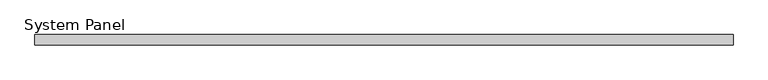
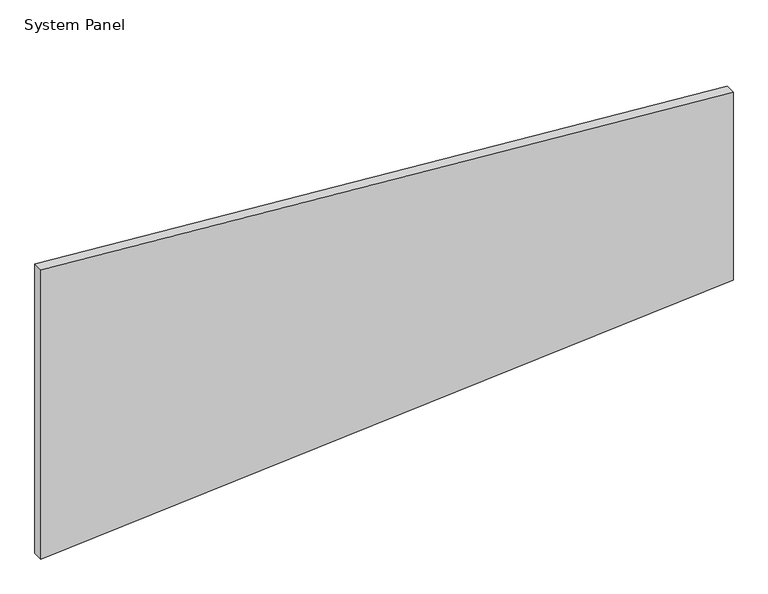
"""IFC4 building model written with IfcOpenShell, lengths in millimetres: plate geometry, System Panel."""

import ifcopenshell
import ifcopenshell.guid

model = None  # the IFC model being written
_history = None  # IfcOwnerHistory: only IFC2X3 demands one
_inside = {}  # id of a spatial element -> (the spatial element, [elements in it])
_under = {}  # id of a project, library or spatial element -> (it, [spatial elements below it])
_declared = {}  # id of a project -> (the project, [libraries it declares])
_typed = {}  # id of a type object -> (the type object, [elements of that type])
_made_of = {}  # id of a material, layer set ... -> (it, [elements and type objects made of it])


def new_model(schema):
    """Start an empty IFC model of exactly this schema.

    Asked for "IFC4X3", IfcOpenShell would pick the latest addendum, in which some entities
    have other attributes; the version numbers below select the first issue.
    IFC2X3 requires an IfcOwnerHistory on every rooted entity: one is made here for all.
    """
    global model, _history
    if schema == "IFC4X3":
        model = ifcopenshell.file(schema_version=(4, 3, 0, 0))
    else:
        model = ifcopenshell.file(schema=schema)
    _inside.clear()
    _under.clear()
    _declared.clear()
    _typed.clear()
    _made_of.clear()
    _history = None
    if model.schema == "IFC2X3":
        org = make("IfcOrganization", Name="unknown")
        user = make(
            "IfcPersonAndOrganization",
            ThePerson=make("IfcPerson", FamilyName="unknown"),
            TheOrganization=org,
        )
        app = make(
            "IfcApplication",
            ApplicationDeveloper=org,
            Version="unknown",
            ApplicationFullName="unknown",
            ApplicationIdentifier="unknown",
        )
        _history = make(
            "IfcOwnerHistory",
            OwningUser=user,
            OwningApplication=app,
            ChangeAction="ADDED",
            CreationDate=0,
        )
    return model


def make(cls, **values):
    """One entity of the class cls with the attributes given. An attribute that is None is left unset."""
    return model.create_entity(
        cls, **{name: value for name, value in values.items() if value is not None}
    )


def rooted(cls, **values):
    """An entity with a GlobalId (a new one), such as an element, a storey or a relation."""
    return make(cls, GlobalId=ifcopenshell.guid.new(), OwnerHistory=_history, **values)


def si_unit(unit_type, name, prefix=None):
    """IfcSIUnit, for example si_unit("LENGTHUNIT", "METRE", prefix="MILLI")."""
    return make("IfcSIUnit", UnitType=unit_type, Prefix=prefix, Name=name)


def assignment(units):
    """IfcUnitAssignment: the units of a project."""
    return None if units is None else make("IfcUnitAssignment", Units=units)


def point(xyz):
    """IfcCartesianPoint."""
    return None if xyz is None else make("IfcCartesianPoint", Coordinates=xyz)


def direction(xyz):
    """IfcDirection."""
    return None if xyz is None else make("IfcDirection", DirectionRatios=xyz)


def frame(location, z_axis=None, x_axis=None):
    """IfcAxis2Placement3D, a coordinate frame: its origin and axes. An axis left out is left unset."""
    return make(
        "IfcAxis2Placement3D",
        Location=point(location),
        Axis=direction(z_axis),
        RefDirection=direction(x_axis),
    )


def origin():
    """The frame at (0, 0, 0) with its axes left unset."""
    return frame((0.0, 0.0, 0.0))


def place(relative_to, where):
    """IfcLocalPlacement: puts the frame where relative to a parent placement (None: the world)."""
    return make(
        "IfcLocalPlacement", PlacementRelTo=relative_to, RelativePlacement=where
    )


def context(
    kind, dimensions, precision=None, world=None, true_north=None, identifier=None
):
    """IfcGeometricRepresentationContext, for example the 3D "Model" context."""
    return make(
        "IfcGeometricRepresentationContext",
        ContextIdentifier=identifier,
        ContextType=kind,
        CoordinateSpaceDimension=dimensions,
        Precision=precision,
        WorldCoordinateSystem=world,
        TrueNorth=true_north,
    )


def project(units=None, contexts=None):
    """IfcProject with its units and contexts."""
    return rooted(
        "IfcProject",
        Name="project",
        RepresentationContexts=contexts,
        UnitsInContext=assignment(units),
    )


def spatial(cls, under=None, at=None, **own):
    """A site, building, storey or space (cls), placed at a placement, below another one or the project."""
    s = rooted(cls, ObjectPlacement=at, **own)
    if under is not None:
        _under.setdefault(under.id(), (under, []))[1].append(s)
    return s


def polyline(points):
    """IfcPolyline through the points."""
    return make("IfcPolyline", Points=[point(p) for p in points])


def outline(outer, holes=None, kind="AREA"):
    """IfcArbitraryClosedProfileDef: a profile drawn as a closed curve; with holes, ...WithVoids."""
    if holes is None:
        return make("IfcArbitraryClosedProfileDef", ProfileType=kind, OuterCurve=outer)
    return make(
        "IfcArbitraryProfileDefWithVoids",
        ProfileType=kind,
        OuterCurve=outer,
        InnerCurves=holes,
    )


def extrude(swept, where, along, depth):
    """IfcExtrudedAreaSolid: the profile swept, set in the frame where, extruded along a direction by depth."""
    return make(
        "IfcExtrudedAreaSolid",
        SweptArea=swept,
        Position=where,
        ExtrudedDirection=direction(along),
        Depth=depth,
    )


def shape(context_of_items, identifier, shape_type, items):
    """IfcShapeRepresentation: the items that make up one representation, for example the "Body"."""
    return make(
        "IfcShapeRepresentation",
        ContextOfItems=context_of_items,
        RepresentationIdentifier=identifier,
        RepresentationType=shape_type,
        Items=items,
    )


def source(mapping_origin, context_of_items, identifier, shape_type, items):
    """IfcRepresentationMap: a shape defined once, which mapped items show again and again."""
    return make(
        "IfcRepresentationMap",
        MappingOrigin=mapping_origin,
        MappedRepresentation=shape(context_of_items, identifier, shape_type, items),
    )


def transform(
    local_origin,
    x_axis=None,
    y_axis=None,
    z_axis=None,
    scale=None,
    scale2=None,
    scale3=None,
    uniform=True,
):
    """IfcCartesianTransformationOperator3D, or its non-uniform kind. x_axis, y_axis, z_axis: its Axis1, 2, 3."""
    if uniform:
        return make(
            "IfcCartesianTransformationOperator3D",
            Axis1=direction(x_axis),
            Axis2=direction(y_axis),
            LocalOrigin=point(local_origin),
            Scale=scale,
            Axis3=direction(z_axis),
        )
    return make(
        "IfcCartesianTransformationOperator3DnonUniform",
        Axis1=direction(x_axis),
        Axis2=direction(y_axis),
        LocalOrigin=point(local_origin),
        Scale=scale,
        Axis3=direction(z_axis),
        Scale2=scale2,
        Scale3=scale3,
    )


def mapped(mapping_source, mapping_target):
    """IfcMappedItem: shows the shape of a source again, moved by a transform."""
    return make(
        "IfcMappedItem", MappingSource=mapping_source, MappingTarget=mapping_target
    )


def made_of(thing, what):
    """Note that an element or type object is made of a material, layer set ...; save() writes the relation."""
    if what is not None:
        _made_of.setdefault(what.id(), (what, []))[1].append(thing)
    return thing


def element(
    cls,
    number,
    at=None,
    inside=None,
    cuts=None,
    type_object=None,
    material=None,
    context=None,
    identifier="Body",
    shape_type=None,
    held_by="IfcProductDefinitionShape",
    body=None,
    shapes=None,
    **own,
):
    """One element of the class cls, such as IfcWall. Its Tag is "e" and its number.

    at: its placement. inside: the storey or other place that contains it. cuts: it is an
    opening in that element (IfcRelVoidsElement). A single representation is given by context,
    identifier, shape_type and body (its items); several are given by shapes. held_by: the class
    of the entity that holds the representations. save() writes the other relations.
    """
    e = rooted(cls, Tag="e%d" % number, ObjectPlacement=at, **own)
    if body is not None:
        shapes = [shape(context, identifier, shape_type, body)]
    if shapes is not None:
        e.Representation = make(held_by, Representations=shapes)
    if inside is not None:
        _inside.setdefault(inside.id(), (inside, []))[1].append(e)
    if cuts is not None:
        rooted(
            "IfcRelVoidsElement", RelatingBuildingElement=cuts, RelatedOpeningElement=e
        )
    if type_object is not None:
        _typed.setdefault(type_object.id(), (type_object, []))[1].append(e)
    return made_of(e, material)


def aggregate(whole, parts):
    """IfcRelAggregates: a whole, such as a stair, and the parts it consists of."""
    return rooted("IfcRelAggregates", RelatingObject=whole, RelatedObjects=parts)


def save(model, path):
    """Write the relations noted so far, then the file.

    IfcRelAggregates (storeys below a building ...), IfcRelContainedInSpatialStructure (elements
    in a storey), IfcRelDefinesByType, IfcRelAssociatesMaterial and IfcRelDeclares: one each for
    every whole, place, type object, material and project.
    """
    for whole, parts in _under.values():
        aggregate(whole, parts)
    for where, things in _inside.values():
        rooted(
            "IfcRelContainedInSpatialStructure",
            RelatedElements=things,
            RelatingStructure=where,
        )
    for kind, things in _typed.values():
        rooted("IfcRelDefinesByType", RelatedObjects=things, RelatingType=kind)
    for what, things in _made_of.values():
        rooted("IfcRelAssociatesMaterial", RelatedObjects=things, RelatingMaterial=what)
    for by, libraries in _declared.values():
        rooted("IfcRelDeclares", RelatingContext=by, RelatedDefinitions=libraries)
    model.write(path)


def system_panel_374a202c(model_context):
    return source(origin(), model_context, "Body", "SweptSolid", [
        extrude(outline(polyline([(0.0, -660.9815752), (100.8955476, 660.9815752), (481.1966006, 660.9815752), (584.4020232, -660.9815752), (0.0, -660.9815752)])), frame((0.0, -10.0, 0.0), z_axis=(0.0, 1.0, 0.0), x_axis=(0.0, 0.0, 1.0)), (0.0, 0.0, 1.0), 20.0),
    ])


if __name__ == "__main__":
    model = new_model("IFC4")
    model_context = context("Model", 3, world=origin())
    ifc_project = project(units=[si_unit("LENGTHUNIT", "METRE", prefix="MILLI")], contexts=[model_context])
    site = spatial("IfcSite", under=ifc_project)
    building = spatial("IfcBuilding", under=site)
    placement = place(None, origin())
    system_panel_shape = system_panel_374a202c(model_context)
    element("IfcPlate", 1, ObjectType="System Panel", at=placement, inside=building, context=model_context, shape_type="MappedRepresentation", body=[
        mapped(system_panel_shape, transform((0.0, 0.0, 0.0), x_axis=(1.0, 0.0, 0.0), y_axis=(0.0, 1.0, 0.0), z_axis=(0.0, 0.0, 1.0))),
    ])
    save(model, "model.ifc")
